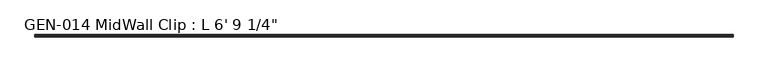
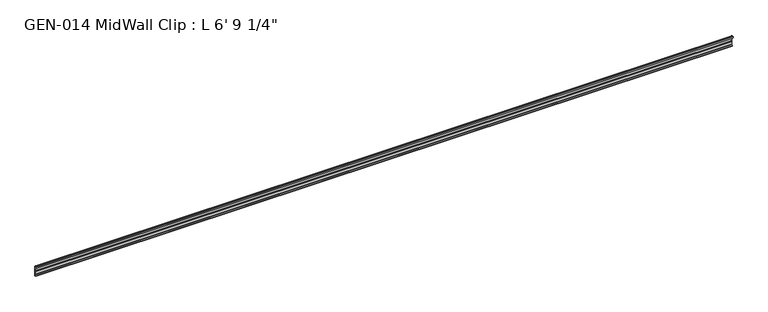
"""IFC4 building model written with IfcOpenShell, lengths in millimetres: proxy geometry."""

from ifc_helpers import new_model, si_unit, point, frame, frame_2d, origin, place, context, project, spatial, polyline, circle_curve, trimmed, segment, composite_curve, outline, extrude, source, transform, mapped, element, save


def proxy_90acffb2(model_context):
    return source(origin(), model_context, "Body", "SweptSolid", [
        extrude(outline(composite_curve([segment(polyline([(2.1386113, 32.1158903), (3.9735584, 32.6885982)]), True, "CONTINUOUS"), segment(trimmed(circle_curve(frame_2d((4.1838513, 32.2686835)), 0.4696291), [point((3.9735584, 32.6885982))], [point((4.6534804, 32.2686835))], False, "CARTESIAN"), True, "CONTINUOUS"), segment(polyline([(4.6534804, 32.2686835), (4.6534804, 30.7270734)]), True, "CONTINUOUS"), segment(trimmed(circle_curve(frame_2d((6.2409804, 30.7270734)), 1.5875), [point((4.6534804, 30.7270734))], [point((6.2409804, 29.1395734))], True, "CARTESIAN"), True, "CONTINUOUS"), segment(polyline([(6.2409804, 29.1395734), (7.5485426, 29.1395734), (7.5485426, 0.0), (4.055874, 0.0), (4.055874, 1.6102595)]), True, "CONTINUOUS"), segment(trimmed(circle_curve(frame_2d((4.0560426, 3.5152595)), 1.905), [point((4.055874, 1.6102595))], [point((5.9610426, 3.5152595))], True, "CARTESIAN"), True, "CONTINUOUS"), segment(polyline([(5.9610426, 3.5152595), (5.9610426, 4.6343152), (5.9610426, 12.4909614), (6.4702065, 13.408381), (6.4702065, 14.7485418), (5.9610426, 15.6659614), (5.9610426, 26.8535734)]), True, "CONTINUOUS"), segment(trimmed(circle_curve(frame_2d((5.4530426, 26.8535734)), 0.508), [point((5.9610426, 26.8535734))], [point((5.4361592, 27.3612928))], True, "CARTESIAN"), True, "CONTINUOUS"), segment(trimmed(circle_curve(frame_2d((5.4154804, 26.5995734)), 0.762), [point((5.4361592, 27.3612928))], [point((4.6764599, 26.4138515))], True, "CARTESIAN"), True, "CONTINUOUS"), segment(trimmed(circle_curve(frame_2d((4.1230664, 26.2747792)), 0.5706009), [point((4.6764599, 26.4138515))], [point((3.9349539, 25.7360779))], False, "CARTESIAN"), True, "CONTINUOUS"), segment(polyline([(3.9349539, 25.7360779), (2.1386113, 26.2967369)]), True, "CONTINUOUS"), segment(trimmed(circle_curve(frame_2d((3.0467234, 29.2063136)), 3.048), [point((2.1386113, 26.2967369))], [point((0.4447727, 30.7938136))], False, "CARTESIAN"), True, "CONTINUOUS"), segment(trimmed(circle_curve(frame_2d((3.0467234, 29.2063136)), 3.048), [point((0.4447727, 30.7938136))], [point((2.1386113, 32.1158903))], False, "CARTESIAN"), True, "CONTINUOUS")], self_intersect=False)), frame((-1758.95, 0.0, 0.0), z_axis=(1.0, 0.0, 0.0), x_axis=(0.0, 1.0, 0.0)), (0.0, 0.0, 1.0), 2063.75),
    ])


if __name__ == "__main__":
    model = new_model("IFC4")
    model_context = context("Model", 3, world=origin())
    ifc_project = project(units=[si_unit("LENGTHUNIT", "METRE", prefix="MILLI")], contexts=[model_context])
    site = spatial("IfcSite", under=ifc_project)
    building = spatial("IfcBuilding", under=site)
    placement = place(None, origin())
    proxy_shape = proxy_90acffb2(model_context)
    element("IfcBuildingElementProxy", 1, Name="GEN-014 MidWall Clip : L 6' 9 1/4\"", ObjectType="GEN-014 MidWall Clip : L 6' 9 1/4\"", at=placement, inside=building, context=model_context, shape_type="MappedRepresentation", body=[
        mapped(proxy_shape, transform((0.0, 0.0, 0.0), x_axis=(1.0, 0.0, 0.0), y_axis=(0.0, 1.0, 0.0), z_axis=(0.0, 0.0, 1.0))),
    ])
    save(model, "model.ifc")
